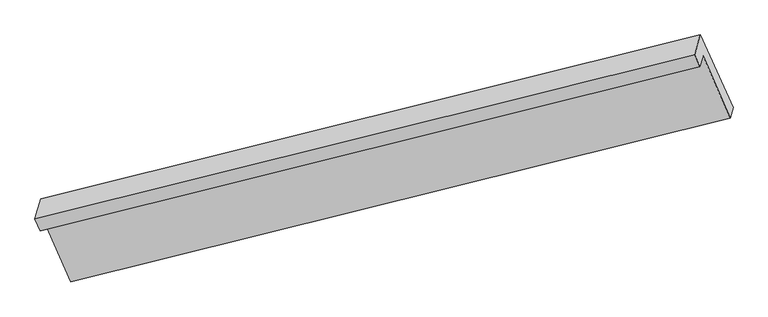
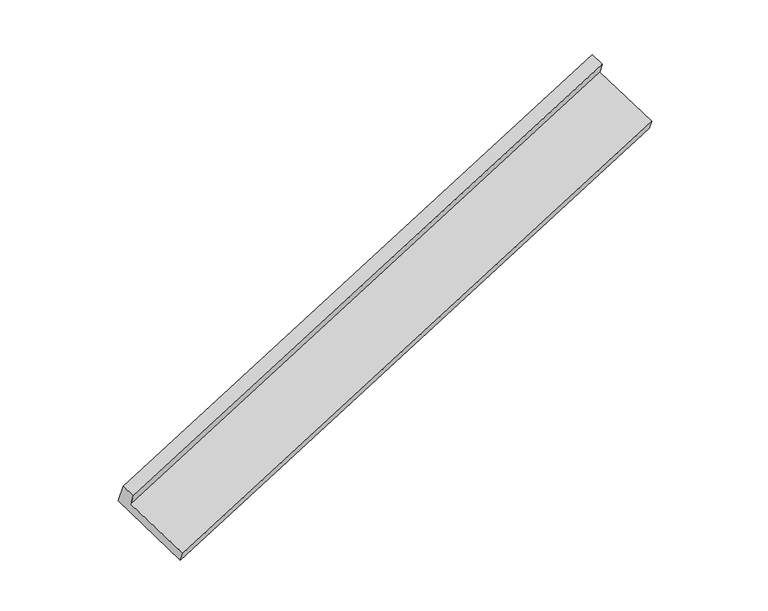
"""IFC4 building model written with IfcOpenShell, lengths in millimetres: proxy geometry."""

from ifc_helpers import new_model, si_unit, origin, place, context, project, spatial, faceted_brep, source, transform, mapped, element, save


def generic_models_a8d884c7(model_context):
    return source(origin(), model_context, "Body", "Brep", [
        faceted_brep([(-6009.6966498, -2211.5429816, 1159.284578), (-5978.9232335, -2103.6694024, 986.7995281), (125.1277935, -585.2338537, 3019.5137248), (95.8500167, -687.8645965, 3183.6157127), (-6057.9258203, -2100.4736919, 1220.1435654), (47.6208462, -576.7953069, 3244.4747001), (-6004.2556811, -1912.3376088, 919.3223454), (99.7953458, -393.9020601, 2952.0365421), (-5700.8388093, -2585.6005618, 517.3892645), (403.2122177, -1067.1650131, 2550.1034612), (-5728.1241074, -2681.2468411, 670.3234063), (375.9269195, -1162.8112924, 2703.037603)], [[[0, 1, 2, 3]], [[4, 0, 3, 5]], [[6, 4, 5, 7]], [[8, 6, 7, 9]], [[10, 8, 9, 11]], [[1, 10, 11, 2]], [[9, 7, 5, 3, 2, 11]], [[1, 0, 4, 6, 8, 10]]]),
    ])


if __name__ == "__main__":
    model = new_model("IFC4")
    model_context = context("Model", 3, world=origin())
    ifc_project = project(units=[si_unit("LENGTHUNIT", "METRE", prefix="MILLI")], contexts=[model_context])
    site = spatial("IfcSite", under=ifc_project)
    building = spatial("IfcBuilding", under=site)
    placement = place(None, origin())
    generic_models_shape = generic_models_a8d884c7(model_context)
    element("IfcBuildingElementProxy", 1, Name="Generic Models", at=placement, inside=building, context=model_context, shape_type="MappedRepresentation", body=[
        mapped(generic_models_shape, transform((0.0, 0.0, 0.0), x_axis=(1.0, 0.0, 0.0), y_axis=(0.0, 1.0, 0.0), z_axis=(0.0, 0.0, 1.0))),
    ])
    save(model, "model.ifc")
